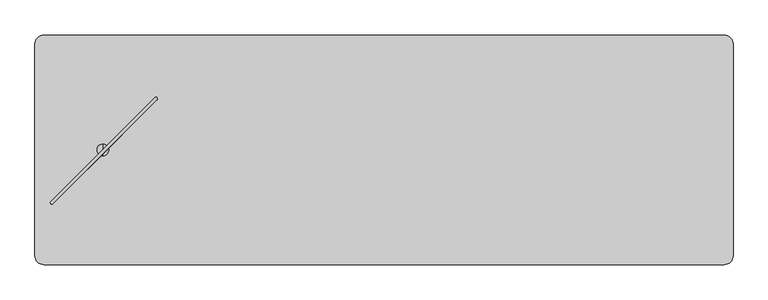
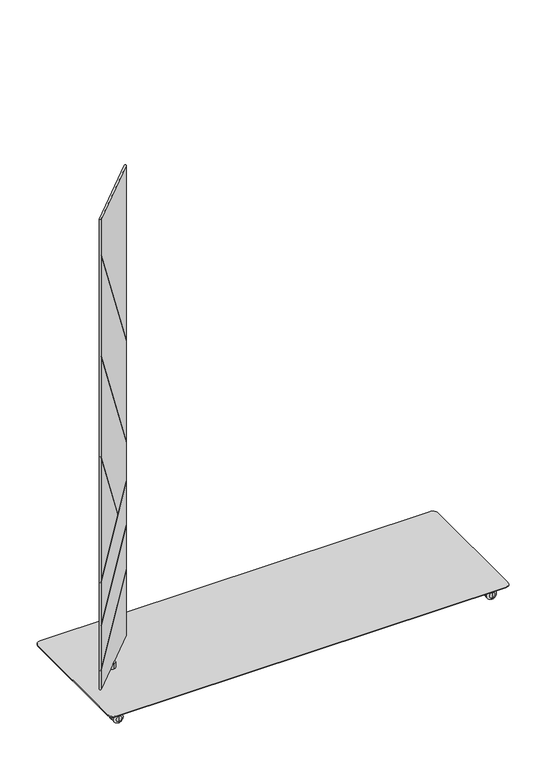
"""IFC4 building model written with IfcOpenShell, lengths in millimetres: furniture geometry."""

from ifc_helpers import new_model, si_unit, point, frame, frame_2d, origin, place, context, project, spatial, polyline, circle_curve, ellipse_curve, trimmed, segment, composite_curve, outline, extrude, source, transform, mapped, element, save
from ifc_brep_helpers import plane_surface, cylinder_surface, revolved_surface, advanced_brep


def furniture_b7391109(model_context):
    return source(origin(), model_context, "Body", "SolidModel", [
        advanced_brep(
        [(-710.9587734, -183.0083649, 1930.6159983), (-706.6960613, -187.2719392, 1930.6159983), (-484.6876924, 34.7398168, 1930.6159983), (-488.9016858, 38.9555155, 1930.6159983), (-710.9587733, -183.0083649, 80.7339983), (-488.9016858, 38.9555155, 80.7339983), (-484.6876924, 34.7398168, 80.7339983), (-706.6960613, -187.2719392, 80.7339983), (-706.6960613, -187.2719392, 157.2450364), (-710.2911277, -187.7758015, 155.5577715), (-710.2911277, -187.7758015, 159.2609644), (-706.6960613, -187.2719392, 160.9482293), (-706.6960613, -187.2719392, 331.0842819), (-710.2911277, -187.7758015, 329.397073), (-710.2911277, -187.7758015, 331.2192637), (-706.6960613, -187.2719392, 332.9064727), (-706.6960613, -187.2719392, 503.9007569), (-710.2911277, -187.7758015, 502.2133563), (-710.2911277, -187.7758015, 504.0355995), (-706.6960613, -187.2719392, 505.723), (-706.6960613, -187.2719392, 988.4501208), (-710.2911277, -187.7758015, 993.5149532), (-710.2911277, -187.7758015, 996.6856054), (-706.6960613, -187.2719392, 991.620773), (-706.6960613, -187.2719392, 1387.9049255), (-710.2911277, -187.7758015, 1392.9697579), (-710.2911277, -187.7758015, 1396.14041), (-706.6960613, -187.2719392, 1391.0755777), (-706.6960613, -187.2719392, 1787.3575622), (-710.2911277, -187.7758015, 1792.4233739), (-710.2911277, -187.7758015, 1795.594488), (-706.6960613, -187.2719392, 1790.5286762), (-484.6876924, 34.7398168, 343.7227086), (-484.6876924, 34.7398168, 513.852707), (-484.6876924, 34.7398168, 515.6748977), (-484.6876924, 34.7398168, 686.6899393), (-560.1779444, -40.7515869, 626.3577623), (-559.2155829, -39.7892108, 627.1501165), (-484.6876924, 34.7398168, 688.5121824), (-484.6876924, 34.7398168, 839.2524065), (-484.6876924, 34.7398168, 842.4230587), (-484.6876924, 34.7398168, 1238.5989503), (-484.6876924, 34.7398168, 1241.7700643), (-484.6876924, 34.7398168, 340.0195157), (-484.2519643, 38.263362, 1236.8768508), (-484.2519643, 38.263362, 1233.7057367), (-484.2519643, 38.263362, 837.5307912), (-484.2519643, 38.263362, 834.360139), (-484.2519643, 38.263362, 690.1420912), (-484.2519643, 38.263362, 688.3198481), (-484.2519643, 38.263362, 517.3046215), (-484.2519643, 38.263362, 515.4824307), (-484.2519643, 38.263362, 345.3524863), (-484.2519643, 38.263362, 341.6492934), (-560.76006, -38.2447337, 627.1501165), (-561.7224288, -39.2071025, 626.3577623)],
        [
            (0, 1, circle_curve(frame((-708.8276492, -185.1403839, 1930.6159983), z_axis=(0.0, 0.0, 1.0), x_axis=(-0.7072551987263337, -0.7069583324882551, 0.0)), 3.0144975)),
            (1, 2),
            (2, 3, circle_curve(frame((-486.8468411, 36.7955352, 1930.6159983), z_axis=(0.0, 0.0, 1.0), x_axis=(0.6895472047235311, 0.7242407420588576, 0.0)), 2.9812584)),
            (3, 0),
            (4, 5),
            (5, 6, circle_curve(frame((-486.8468411, 36.7955352, 80.7339983), z_axis=(0.0, 0.0, -1.0), x_axis=(0.6895472047235311, 0.7242407420588576, 0.0)), 2.9812584)),
            (6, 7),
            (7, 4, circle_curve(frame((-708.8276492, -185.1403839, 80.7339983), z_axis=(0.0, 0.0, -1.0), x_axis=(-0.7072551987263337, -0.7069583324882551, 0.0)), 3.0144975)),
            (0, 4),
            (7, 8),
            (8, 9, ellipse_curve(frame((-708.8276492, -185.1403839, 157.245023), z_axis=(0.3557466555065141, 0.35574665550651347, -0.8642271889913322), x_axis=(0.6111009058215596, 0.6111009058215586, 0.5031017449861808)), 3.4880845, 3.0144975)),
            (9, 10),
            (10, 11, ellipse_curve(frame((-708.8276492, -185.1403839, 160.9482159), z_axis=(-0.3557466555065138, -0.3557466555065132, 0.8642271889913322), x_axis=(0.6111009058215596, 0.6111009058215585, 0.5031017449861812)), 3.4880845, 3.0144975)),
            (11, 12),
            (12, 13, ellipse_curve(frame((-708.8276492, -185.1403839, 331.0842685), z_axis=(0.3557378542673982, 0.35573785426739757, -0.8642344346775678), x_axis=(0.611106029295431, 0.61110602929543, 0.5030892981544577)), 3.4880553, 3.0144975)),
            (13, 14),
            (14, 15, ellipse_curve(frame((-708.8276492, -185.1403839, 332.9064593), z_axis=(-0.3557378542673982, -0.35573785426739757, 0.8642344346775679), x_axis=(0.6111060292954311, 0.6111060292954301, 0.5030892981544572)), 3.4880553, 3.0144975)),
            (15, 16),
            (16, 17, ellipse_curve(frame((-708.8276492, -185.1403839, 503.9007435), z_axis=(0.35576802902276067, 0.35576802902276006, -0.8642095920843049), x_axis=(0.6110884629292728, 0.6110884629292717, 0.5031319717027326)), 3.4881556, 3.0144975)),
            (17, 18),
            (18, 19, ellipse_curve(frame((-708.8276492, -185.1403839, 505.7229867), z_axis=(-0.3557680290227606, -0.35576802902276, 0.864209592084305), x_axis=(0.6110884629292728, 0.6110884629292717, 0.5031319717027324)), 3.4881556, 3.0144975)),
            (19, 20),
            (20, 21, ellipse_curve(frame((-708.8276492, -185.1403839, 988.450161), z_axis=(-0.6137217711363941, -0.6137217711363931, -0.4966801538882102), x_axis=(-0.3512059048951317, -0.3512059048951311, 0.8679336522647246)), 6.0692932, 3.0144975)),
            (21, 22),
            (22, 23, ellipse_curve(frame((-708.8276492, -185.1403839, 991.6208132), z_axis=(0.6137217711363941, 0.613721771136393, 0.49668015388821024), x_axis=(-0.35120590489513176, -0.3512059048951311, 0.8679336522647245)), 6.0692932, 3.0144975)),
            (23, 24),
            (24, 25, ellipse_curve(frame((-708.8276492, -185.1403839, 1387.9049657), z_axis=(-0.6137217711363941, -0.6137217711363931, -0.4966801538882103), x_axis=(-0.35120590489513176, -0.3512059048951312, 0.8679336522647245)), 6.0692932, 3.0144975)),
            (25, 26),
            (26, 27, ellipse_curve(frame((-708.8276492, -185.1403839, 1391.0756178), z_axis=(0.6137217711363941, 0.6137217711363931, 0.4966801538882103), x_axis=(-0.35120590489513176, -0.3512059048951312, 0.8679336522647245)), 6.0692932, 3.0144975)),
            (27, 28),
            (28, 29, ellipse_curve(frame((-708.8276492, -185.1403839, 1787.3576024), z_axis=(-0.6137510408992914, -0.6137510408992903, -0.4966078126550913), x_axis=(-0.351154751918634, -0.3511547519186334, 0.8679750459603811)), 6.0701774, 3.0144975)),
            (29, 30),
            (30, 31, ellipse_curve(frame((-708.8276492, -185.1403839, 1790.5287164), z_axis=(0.6137510408992906, 0.6137510408992916, 0.4966078126550908), x_axis=(-0.351154751918633, -0.35115475191863355, 0.8679750459603813)), 6.0701774, 3.0144975)),
            (31, 1),
            (11, 32),
            (32, 33),
            (33, 12),
            (15, 34),
            (34, 35),
            (35, 16),
            (19, 36),
            (36, 20),
            (23, 37),
            (37, 38),
            (38, 39),
            (39, 24),
            (27, 40),
            (40, 41),
            (41, 28),
            (31, 42),
            (42, 2),
            (6, 43),
            (43, 8),
            (42, 44, ellipse_curve(frame((-486.8468411, 36.7955352, 1241.8978926), z_axis=(0.6137510408992906, 0.6137510408992916, 0.4966078126550908), x_axis=(-0.351154751918633, -0.35115475191863355, 0.8679750459603813)), 6.003245, 2.9812584)),
            (44, 45),
            (45, 41, ellipse_curve(frame((-486.8468411, 36.7955352, 1238.7267785), z_axis=(-0.6137510408992914, -0.6137510408992903, -0.4966078126550913), x_axis=(-0.351154751918634, -0.3511547519186334, 0.8679750459603811)), 6.003245, 2.9812584)),
            (40, 46, ellipse_curve(frame((-486.8468411, 36.7955352, 842.5508622), z_axis=(0.6137217711363941, 0.6137217711363931, 0.4966801538882103), x_axis=(-0.35120590489513176, -0.3512059048951312, 0.8679336522647245)), 6.0023706, 2.9812584)),
            (46, 47),
            (47, 39, ellipse_curve(frame((-486.8468411, 36.7955352, 839.3802101), z_axis=(-0.6137217711363941, -0.6137217711363931, -0.4966801538882103), x_axis=(-0.35120590489513176, -0.3512059048951312, 0.8679336522647245)), 6.0023706, 2.9812584)),
            (38, 48, ellipse_curve(frame((-486.8468411, 36.7955352, 688.4696034), z_axis=(-0.355768029022761, -0.3557680290227604, 0.8642095920843047), x_axis=(0.6110884629292725, 0.6110884629292714, 0.5031319717027329)), 3.4496937, 2.9812584)),
            (48, 49),
            (49, 35, ellipse_curve(frame((-486.8468411, 36.7955352, 686.6473602), z_axis=(0.35576802902276067, 0.35576802902276006, -0.8642095920843049), x_axis=(0.6110884629292728, 0.6110884629292717, 0.5031319717027326)), 3.4496937, 2.9812584)),
            (34, 50, ellipse_curve(frame((-486.8468411, 36.7955352, 515.6323235), z_axis=(-0.3557378542673982, -0.35573785426739757, 0.8642344346775679), x_axis=(0.6111060292954311, 0.6111060292954301, 0.5030892981544572)), 3.4495945, 2.9812584)),
            (50, 51),
            (51, 33, ellipse_curve(frame((-486.8468411, 36.7955352, 513.8101328), z_axis=(0.3557378542673982, 0.35573785426739757, -0.8642344346775678), x_axis=(0.611106029295431, 0.61110602929543, 0.5030892981544577)), 3.4495945, 2.9812584)),
            (32, 52, ellipse_curve(frame((-486.8468411, 36.7955352, 343.6801329), z_axis=(-0.3557466555065138, -0.3557466555065132, 0.8642271889913322), x_axis=(0.6111009058215596, 0.6111009058215585, 0.5031017449861812)), 3.4496234, 2.9812584)),
            (52, 53),
            (53, 43, ellipse_curve(frame((-486.8468411, 36.7955352, 339.97694), z_axis=(0.3557466555065141, 0.35574665550651347, -0.8642271889913322), x_axis=(0.6111009058215596, 0.6111009058215586, 0.5031017449861808)), 3.4496234, 2.9812584)),
            (5, 3),
            (9, 53),
            (52, 10),
            (29, 45),
            (44, 30),
            (25, 47),
            (46, 26),
            (13, 51),
            (50, 14),
            (54, 22),
            (21, 55),
            (55, 18),
            (17, 49),
            (48, 54),
            (37, 54),
            (36, 55),
        ],
        [
            plane_surface(frame((-597.8110532, -74.146243, 1930.6159983), z_axis=(0.0, 0.0, 1.0000000000000002), x_axis=(-0.7072551987263422, -0.7069583324882467, 0.0))),
            plane_surface(frame((-597.8110532, -74.146243, 80.7339983), z_axis=(0.0, 0.0, -1.0000000000000002), x_axis=(-0.7072551987263422, -0.7069583324882467, 0.0))),
            cylinder_surface(frame((-708.8276492, -185.1403839, 80.7339983), z_axis=(0.0, 0.0, 1.0), x_axis=(-0.7072551987263337, -0.7069583324882551, 0.0)), 3.0144975),
            plane_surface(frame((-595.6918769, -76.2660612, 80.7339983), z_axis=(0.7071121751659858, -0.7071013871659624, 0.0), x_axis=(0.7071013871659624, 0.7071121751659858, 0.0))),
            cylinder_surface(frame((-486.8468411, 36.7955352, 80.7339983), z_axis=(0.0, 0.0, 1.0), x_axis=(0.6895472047235311, 0.7242407420588576, 0.0)), 2.9812584),
            plane_surface(frame((-599.9302295, -72.0264247, 80.7339983), z_axis=(-0.7069583324882512, 0.7072551987263376, 0.0), x_axis=(-0.7072551987263376, -0.7069583324882512, 0.0))),
            plane_surface(frame((-693.8406555, -171.3253292, 169.1009707), z_axis=(0.7071067811865472, -0.7071067811865481, 0.0), x_axis=(-0.6111009058215594, -0.6111009058215585, -0.5031017449861812))),
            plane_surface(frame((-693.0218175, -210.0196182, 153.5100877), z_axis=(-0.3557466555065141, -0.35574665550651347, 0.8642271889913322), x_axis=(-0.7071067811865469, 0.7071067811865481, 0.0))),
            plane_surface(frame((-455.5914027, 27.4107966, 352.6828911), z_axis=(0.35574665550651385, 0.35574665550651324, -0.8642271889913324), x_axis=(-0.7071067811865469, 0.7071067811865481, 0.0))),
            plane_surface(frame((-693.0218175, -210.0196182, 1798.5713009), z_axis=(0.6137510408992913, 0.6137510408992902, 0.4966078126550912), x_axis=(-0.7071067811865469, 0.7071067811865481, 0.0))),
            plane_surface(frame((-455.5914027, 27.4107966, 1214.8681832), z_axis=(-0.6137510408992906, -0.6137510408992916, -0.4966078126550908), x_axis=(-0.7071067811865481, 0.7071067811865469, 0.0))),
            plane_surface(frame((-693.0218175, -210.0196182, 1399.1164962), z_axis=(0.6137217711363941, 0.6137217711363931, 0.4966801538882103), x_axis=(-0.7071067811865469, 0.7071067811865481, 0.0))),
            plane_surface(frame((-455.5914027, 27.4107966, 815.5263786), z_axis=(-0.6137217711363941, -0.6137217711363931, -0.4966801538882103), x_axis=(-0.7071067811865469, 0.7071067811865481, 0.0))),
            plane_surface(frame((-693.0218175, -210.0196182, 500.1655078), z_axis=(-0.35576802902276067, -0.35576802902276006, 0.8642095920843049), x_axis=(-0.7071067811865469, 0.7071067811865481, 0.0))),
            plane_surface(frame((-455.5914027, 27.4107966, 697.4730857), z_axis=(0.355768029022761, 0.3557680290227604, -0.8642095920843047), x_axis=(-0.7071067811865469, 0.7071067811865481, 0.0))),
            plane_surface(frame((-693.0218175, -210.0196182, 327.3494569), z_axis=(-0.3557378542673982, -0.35573785426739757, 0.8642344346775678), x_axis=(-0.7071067811865469, 0.7071067811865481, 0.0))),
            plane_surface(frame((-455.5914027, 27.4107966, 524.6347834), z_axis=(0.3557378542673982, 0.35573785426739757, -0.8642344346775679), x_axis=(-0.7071067811865469, 0.7071067811865481, 0.0))),
            plane_surface(frame((-541.0034965, -58.0012972, 627.1501165), z_axis=(-0.6137217711363941, -0.613721771136393, -0.49668015388821024), x_axis=(-0.7071067811865469, 0.7071067811865481, 0.0))),
            plane_surface(frame((-693.0218175, -210.0196182, 999.6616916), z_axis=(0.6137217711363941, 0.6137217711363931, 0.4966801538882102), x_axis=(-0.7071067811865469, 0.7071067811865481, 0.0))),
            plane_surface(frame((-541.9658653, -58.963666, 626.3577623), z_axis=(0.3557680290227606, 0.35576802902276, -0.864209592084305), x_axis=(-0.7071067811865469, 0.7071067811865481, 0.0))),
        ],
        [
            (0, [[1, 2, 3, 4]]),
            (1, [[5, 6, 7, 8]]),
            (2, [[-1, 9, -8, 10, 11, 12, 13, 14, 15, 16, 17, 18, 19, 20, 21, 22, 23, 24, 25, 26, 27, 28, 29, 30, 31, 32, 33, 34]]),
            (3, [[-14, 35, 36, 37]]),
            (3, [[-18, 38, 39, 40]]),
            (3, [[-22, 41, 42]]),
            (3, [[-26, 43, 44, 45, 46]]),
            (3, [[-30, 47, 48, 49]]),
            (3, [[-2, -34, 50, 51]]),
            (3, [[-7, 52, 53, -10]]),
            (4, [[-3, -51, 54, 55, 56, -48, 57, 58, 59, -45, 60, 61, 62, -39, 63, 64, 65, -36, 66, 67, 68, -52, -6, 69]]),
            (5, [[-4, -69, -5, -9]]),
            (6, [[70, -67, 71, -12]]),
            (6, [[72, -55, 73, -32]]),
            (6, [[74, -58, 75, -28]]),
            (6, [[76, -64, 77, -16]]),
            (6, [[78, -24, 79, 80, -20, 81, -61, 82]]),
            (7, [[-70, -11, -53, -68]]),
            (8, [[-71, -66, -35, -13]]),
            (9, [[-72, -31, -49, -56]]),
            (10, [[-73, -54, -50, -33]]),
            (11, [[-74, -27, -46, -59]]),
            (12, [[-75, -57, -47, -29]]),
            (13, [[-81, -19, -40, -62]]),
            (14, [[-82, -60, -44, 83]]),
            (15, [[-76, -15, -37, -65]]),
            (16, [[-77, -63, -38, -17]]),
            (17, [[-78, -83, -43, -25]]),
            (18, [[-79, -23, -42, 84]]),
            (19, [[-80, -84, -41, -21]]),
        ],
    ),
        advanced_brep(
        [(-599.9988, -84.5709522, 80.7339983), (-599.9988, -59.5748171, 80.7339983), (-599.9988, -59.5748171, 59.9975986), (-599.9988, -84.5709522, 59.9975986), (-599.9988, -72.0728847, 80.7339983), (-599.9988, -72.0728847, 59.9975986)],
        [
            (0, 1, circle_curve(frame((-599.9988, -72.0728847, 80.7339983), z_axis=(0.0, 0.0, -1.0), x_axis=(0.0, 1.0, 0.0)), 12.4980675)),
            (1, 2),
            (2, 3, circle_curve(frame((-599.9988, -72.0728847, 59.9975986), z_axis=(0.0, 0.0, 1.0), x_axis=(0.0, 1.0, 0.0)), 12.4980675)),
            (3, 0),
            (4, 1),
            (0, 4),
            (0, 1, circle_curve(frame((-599.9988, -72.0728847, 80.7339983), z_axis=(0.0, 0.0, 1.0), x_axis=(0.0, 1.0, 0.0)), 12.4980675)),
            (2, 5),
            (5, 3),
            (2, 3, circle_curve(frame((-599.9988, -72.0728847, 59.9975986), z_axis=(0.0, 0.0, -1.0), x_axis=(0.0, 1.0, 0.0)), 12.4980675)),
        ],
        [
            cylinder_surface(frame((-599.9988, -72.0728847, 88.2747758), z_axis=(0.0, 0.0, 1.0), x_axis=(0.0, 1.0, 0.0)), 12.4980675),
            plane_surface(frame((-599.9988, -72.0728847, 80.7339983), z_axis=(0.0, 0.0, 1.0), x_axis=(0.0, 1.0, 0.0))),
            plane_surface(frame((-599.9988, -72.0728847, 59.9975986), z_axis=(0.0, 0.0, -1.0), x_axis=(0.0, 1.0, 0.0))),
        ],
        [
            (0, [[1, 2, 3, 4]]),
            (1, [[5, -1, 6]]),
            (1, [[-6, 7, -5]]),
            (2, [[-3, 8, 9]]),
            (2, [[10, -9, -8]]),
            (0, [[-7, -4, -10, -2]]),
        ],
    ),
        advanced_brep(
        [(695.0057698, -263.8998204, 45.0000013), (695.0057698, -261.16856, 45.0000013), (695.0057698, -266.6310808, 45.0000013), (695.0057698, -266.6310808, 20.9698569), (695.0057698, -261.16856, 20.9698569), (695.0057698, -263.8998204, 20.9698569)],
        [
            (0, 1),
            (1, 2, circle_curve(frame((695.0057698, -263.8998204, 45.0000013), z_axis=(0.0, 0.0, 1.0), x_axis=(0.0, 1.0, 0.0)), 2.7312604)),
            (2, 0),
            (2, 1, circle_curve(frame((695.0057698, -263.8998204, 45.0000013), z_axis=(0.0, 0.0, 1.0), x_axis=(0.0, 1.0, 0.0)), 2.7312604)),
            (3, 4, circle_curve(frame((695.0057698, -263.8998204, 20.9698569), z_axis=(0.0, 0.0, -1.0), x_axis=(0.0, 1.0, 0.0)), 2.7312604)),
            (4, 5),
            (5, 3),
            (4, 3, circle_curve(frame((695.0057698, -263.8998204, 20.9698569), z_axis=(0.0, 0.0, -1.0), x_axis=(0.0, 1.0, 0.0)), 2.7312604)),
            (1, 4),
            (3, 2),
        ],
        [
            plane_surface(frame((695.0057698, -263.8998204, 45.0000013), z_axis=(0.0, 0.0, 1.0), x_axis=(0.0, 1.0, 0.0))),
            plane_surface(frame((695.0057698, -263.8998204, 20.9698569), z_axis=(0.0, 0.0, -1.0), x_axis=(0.0, 1.0, 0.0))),
            cylinder_surface(frame((695.0057698, -263.8998204, 53.5051757), z_axis=(0.0, 0.0, 1.0), x_axis=(0.0, 1.0, 0.0)), 2.7312604),
        ],
        [
            (0, [[1, 2, 3]]),
            (0, [[-3, 4, -1]]),
            (1, [[5, 6, 7]]),
            (1, [[8, -7, -6]]),
            (2, [[-2, 9, -5, 10]]),
            (2, [[-4, -10, -8, -9]]),
        ],
    ),
        advanced_brep(
        [(695.0057698, -244.8998219, 6.35), (695.0057698, -244.8998219, 29.650001), (695.0057698, -244.8998219, 18.0000005), (695.0057698, -251.2498219, 0.0), (695.0057698, -251.2498219, 36.000001), (695.0057698, -256.8998207, 0.0), (695.0057698, -256.8998207, 36.000001), (695.0057698, -256.8998207, 11.0000008), (695.0057698, -256.8998207, 25.0000002), (695.0057698, -270.8998246, 11.0000008), (695.0057698, -270.8998246, 25.0000002), (695.0057698, -270.8998246, 0.0), (695.0057698, -270.8998246, 36.000001), (695.0057698, -276.5498189, 0.0), (695.0057698, -276.5498189, 36.000001), (695.0057698, -282.8998189, 6.35), (695.0057698, -282.8998189, 29.650001), (695.0057698, -282.8998189, 18.0000005)],
        [
            (0, 1, circle_curve(frame((695.0057698, -244.8998219, 18.0000005), z_axis=(0.0, 1.0, 0.0), x_axis=(0.0, 0.0, 1.0)), 11.6500005)),
            (1, 2),
            (2, 0),
            (1, 0, circle_curve(frame((695.0057698, -244.8998219, 18.0000005), z_axis=(0.0, 1.0, 0.0), x_axis=(0.0, 0.0, 1.0)), 11.6500005)),
            (3, 4, circle_curve(frame((695.0057698, -251.2498219, 18.0000005), z_axis=(0.0, 1.0, 0.0), x_axis=(0.0, 0.0, 1.0)), 18.0000005)),
            (4, 1, circle_curve(frame((695.0057698, -251.2498219, 29.650001), z_axis=(-1.0, 0.0, 0.0), x_axis=(0.0, 1.0, 0.0)), 6.35)),
            (0, 3, circle_curve(frame((695.0057698, -251.2498219, 6.35), z_axis=(-1.0, 0.0, 0.0), x_axis=(0.0, 1.0, 0.0)), 6.35)),
            (4, 3, circle_curve(frame((695.0057698, -251.2498219, 18.0000005), z_axis=(0.0, 1.0, 0.0), x_axis=(0.0, 0.0, 1.0)), 18.0000005)),
            (5, 6, circle_curve(frame((695.0057698, -256.8998207, 18.0000005), z_axis=(0.0, 1.0, 0.0), x_axis=(0.0, 0.0, 1.0)), 18.0000005)),
            (6, 4),
            (3, 5),
            (6, 5, circle_curve(frame((695.0057698, -256.8998207, 18.0000005), z_axis=(0.0, 1.0, 0.0), x_axis=(0.0, 0.0, 1.0)), 18.0000005)),
            (7, 8, circle_curve(frame((695.0057698, -256.8998207, 18.0000005), z_axis=(0.0, 1.0, 0.0), x_axis=(0.0, 0.0, 1.0)), 6.9999997)),
            (8, 6),
            (5, 7),
            (8, 7, circle_curve(frame((695.0057698, -256.8998207, 18.0000005), z_axis=(0.0, 1.0, 0.0), x_axis=(0.0, 0.0, 1.0)), 6.9999997)),
            (9, 10, circle_curve(frame((695.0057698, -270.8998246, 18.0000005), z_axis=(0.0, 1.0, 0.0), x_axis=(0.0, 0.0, 1.0)), 6.9999997)),
            (10, 8),
            (7, 9),
            (10, 9, circle_curve(frame((695.0057698, -270.8998246, 18.0000005), z_axis=(0.0, 1.0, 0.0), x_axis=(0.0, 0.0, 1.0)), 6.9999997)),
            (11, 12, circle_curve(frame((695.0057698, -270.8998246, 18.0000005), z_axis=(0.0, 1.0, 0.0), x_axis=(0.0, 0.0, 1.0)), 18.0000005)),
            (12, 10),
            (9, 11),
            (12, 11, circle_curve(frame((695.0057698, -270.8998246, 18.0000005), z_axis=(0.0, 1.0, 0.0), x_axis=(0.0, 0.0, 1.0)), 18.0000005)),
            (13, 14, circle_curve(frame((695.0057698, -276.5498189, 18.0000005), z_axis=(0.0, 1.0, 0.0), x_axis=(0.0, 0.0, 1.0)), 18.0000005)),
            (14, 12),
            (11, 13),
            (14, 13, circle_curve(frame((695.0057698, -276.5498189, 18.0000005), z_axis=(0.0, 1.0, 0.0), x_axis=(0.0, 0.0, 1.0)), 18.0000005)),
            (15, 16, circle_curve(frame((695.0057698, -282.8998189, 18.0000005), z_axis=(0.0, 1.0, 0.0), x_axis=(0.0, 0.0, 1.0)), 11.6500005)),
            (16, 14, circle_curve(frame((695.0057698, -276.5498189, 29.650001), z_axis=(-1.0, 0.0, 0.0), x_axis=(0.0, 1.0, 0.0)), 6.35)),
            (13, 15, circle_curve(frame((695.0057698, -276.5498189, 6.35), z_axis=(-1.0, 0.0, 0.0), x_axis=(0.0, 1.0, 0.0)), 6.35)),
            (16, 15, circle_curve(frame((695.0057698, -282.8998189, 18.0000005), z_axis=(0.0, 1.0, 0.0), x_axis=(0.0, 0.0, 1.0)), 11.6500005)),
            (17, 16),
            (15, 17),
        ],
        [
            plane_surface(frame((695.0057698, -244.8998219, 18.0000005), z_axis=(0.0, 1.0, 0.0), x_axis=(0.0, 0.0, 1.0))),
            revolved_surface(trimmed(ellipse_curve(frame((695.0057698, -251.2498219, 29.650001), z_axis=(1.0, 0.0, 0.0), x_axis=(0.0, 1.0, 0.0)), 6.35, 6.35), [point((695.0057698, -244.8998219, 29.650001))], [point((695.0057698, -251.2498219, 36.000001))], True, "CARTESIAN"), (695.0057698, -320.9998189, 18.0000005), (0.0, -1.0, 0.0)),
            cylinder_surface(frame((695.0057698, -320.9998189, 18.0000005), z_axis=(0.0, -1.0, 0.0), x_axis=(0.0, 0.0, 1.0)), 18.0000005),
            plane_surface(frame((695.0057698, -256.8998207, 18.0000005), z_axis=(0.0, -1.0, 0.0), x_axis=(0.0, 0.0, 1.0))),
            cylinder_surface(frame((695.0057698, -320.9998189, 18.0000005), z_axis=(0.0, -1.0, 0.0), x_axis=(0.0, 0.0, 1.0)), 6.9999997),
            plane_surface(frame((695.0057698, -270.8998246, 18.0000005), z_axis=(0.0, 1.0, 0.0), x_axis=(0.0, 0.0, 1.0))),
            revolved_surface(trimmed(ellipse_curve(frame((695.0057698, -276.5498189, 29.650001), z_axis=(1.0, 0.0, 0.0), x_axis=(0.0, 1.0, 0.0)), 6.35, 6.35), [point((695.0057698, -276.5498189, 36.000001))], [point((695.0057698, -282.8998189, 29.650001))], True, "CARTESIAN"), (695.0057698, -320.9998189, 18.0000005), (0.0, -1.0, 0.0)),
            plane_surface(frame((695.0057698, -282.8998189, 18.0000005), z_axis=(0.0, -1.0, 0.0), x_axis=(0.0, 0.0, 1.0))),
        ],
        [
            (0, [[1, 2, 3]]),
            (0, [[4, -3, -2]]),
            (1, [[5, 6, -1, 7]]),
            (1, [[8, -7, -4, -6]]),
            (2, [[9, 10, -5, 11]]),
            (2, [[12, -11, -8, -10]]),
            (3, [[13, 14, -9, 15]]),
            (3, [[16, -15, -12, -14]]),
            (4, [[17, 18, -13, 19]]),
            (4, [[20, -19, -16, -18]]),
            (5, [[21, 22, -17, 23]]),
            (5, [[24, -23, -20, -22]]),
            (2, [[25, 26, -21, 27]]),
            (2, [[28, -27, -24, -26]]),
            (6, [[29, 30, -25, 31]]),
            (6, [[32, -31, -28, -30]]),
            (7, [[33, -29, 34]]),
            (7, [[-34, -32, -33]]),
        ],
    ),
        advanced_brep(
        [(695.0057698, 119.7540511, 45.0000013), (695.0057698, 122.4853115, 45.0000013), (695.0057698, 117.0227906, 45.0000013), (695.0057698, 117.0227906, 20.9698569), (695.0057698, 122.4853115, 20.9698569), (695.0057698, 119.7540511, 20.9698569)],
        [
            (0, 1),
            (1, 2, circle_curve(frame((695.0057698, 119.7540511, 45.0000013), z_axis=(0.0, 0.0, 1.0), x_axis=(0.0, 1.0, 0.0)), 2.7312604)),
            (2, 0),
            (2, 1, circle_curve(frame((695.0057698, 119.7540511, 45.0000013), z_axis=(0.0, 0.0, 1.0), x_axis=(0.0, 1.0, 0.0)), 2.7312604)),
            (3, 4, circle_curve(frame((695.0057698, 119.7540511, 20.9698569), z_axis=(0.0, 0.0, -1.0), x_axis=(0.0, 1.0, 0.0)), 2.7312604)),
            (4, 5),
            (5, 3),
            (4, 3, circle_curve(frame((695.0057698, 119.7540511, 20.9698569), z_axis=(0.0, 0.0, -1.0), x_axis=(0.0, 1.0, 0.0)), 2.7312604)),
            (1, 4),
            (3, 2),
        ],
        [
            plane_surface(frame((695.0057698, 119.7540511, 45.0000013), z_axis=(0.0, 0.0, 1.0), x_axis=(0.0, 1.0, 0.0))),
            plane_surface(frame((695.0057698, 119.7540511, 20.9698569), z_axis=(0.0, 0.0, -1.0), x_axis=(0.0, 1.0, 0.0))),
            cylinder_surface(frame((695.0057698, 119.7540511, 53.5051757), z_axis=(0.0, 0.0, 1.0), x_axis=(0.0, 1.0, 0.0)), 2.7312604),
        ],
        [
            (0, [[1, 2, 3]]),
            (0, [[-3, 4, -1]]),
            (1, [[5, 6, 7]]),
            (1, [[8, -7, -6]]),
            (2, [[-2, 9, -5, 10]]),
            (2, [[-4, -10, -8, -9]]),
        ],
    ),
        advanced_brep(
        [(695.0057698, 138.7540496, 6.35), (695.0057698, 138.7540496, 29.650001), (695.0057698, 138.7540496, 18.0000005), (695.0057698, 132.4040496, 0.0), (695.0057698, 132.4040496, 36.000001), (695.0057698, 126.7540507, 0.0), (695.0057698, 126.7540507, 36.000001), (695.0057698, 126.7540507, 11.0000008), (695.0057698, 126.7540507, 25.0000002), (695.0057698, 112.7540468, 11.0000008), (695.0057698, 112.7540468, 25.0000002), (695.0057698, 112.7540468, 0.0), (695.0057698, 112.7540468, 36.000001), (695.0057698, 107.1040525, 0.0), (695.0057698, 107.1040525, 36.000001), (695.0057698, 100.7540525, 6.35), (695.0057698, 100.7540525, 29.650001), (695.0057698, 100.7540525, 18.0000005)],
        [
            (0, 1, circle_curve(frame((695.0057698, 138.7540496, 18.0000005), z_axis=(0.0, 1.0, 0.0), x_axis=(0.0, 0.0, 1.0)), 11.6500005)),
            (1, 2),
            (2, 0),
            (1, 0, circle_curve(frame((695.0057698, 138.7540496, 18.0000005), z_axis=(0.0, 1.0, 0.0), x_axis=(0.0, 0.0, 1.0)), 11.6500005)),
            (3, 4, circle_curve(frame((695.0057698, 132.4040496, 18.0000005), z_axis=(0.0, 1.0, 0.0), x_axis=(0.0, 0.0, 1.0)), 18.0000005)),
            (4, 1, circle_curve(frame((695.0057698, 132.4040496, 29.650001), z_axis=(-1.0, 0.0, 0.0), x_axis=(0.0, 1.0, 0.0)), 6.35)),
            (0, 3, circle_curve(frame((695.0057698, 132.4040496, 6.35), z_axis=(-1.0, 0.0, 0.0), x_axis=(0.0, 1.0, 0.0)), 6.35)),
            (4, 3, circle_curve(frame((695.0057698, 132.4040496, 18.0000005), z_axis=(0.0, 1.0, 0.0), x_axis=(0.0, 0.0, 1.0)), 18.0000005)),
            (5, 6, circle_curve(frame((695.0057698, 126.7540507, 18.0000005), z_axis=(0.0, 1.0, 0.0), x_axis=(0.0, 0.0, 1.0)), 18.0000005)),
            (6, 4),
            (3, 5),
            (6, 5, circle_curve(frame((695.0057698, 126.7540507, 18.0000005), z_axis=(0.0, 1.0, 0.0), x_axis=(0.0, 0.0, 1.0)), 18.0000005)),
            (7, 8, circle_curve(frame((695.0057698, 126.7540507, 18.0000005), z_axis=(0.0, 1.0, 0.0), x_axis=(0.0, 0.0, 1.0)), 6.9999997)),
            (8, 6),
            (5, 7),
            (8, 7, circle_curve(frame((695.0057698, 126.7540507, 18.0000005), z_axis=(0.0, 1.0, 0.0), x_axis=(0.0, 0.0, 1.0)), 6.9999997)),
            (9, 10, circle_curve(frame((695.0057698, 112.7540468, 18.0000005), z_axis=(0.0, 1.0, 0.0), x_axis=(0.0, 0.0, 1.0)), 6.9999997)),
            (10, 8),
            (7, 9),
            (10, 9, circle_curve(frame((695.0057698, 112.7540468, 18.0000005), z_axis=(0.0, 1.0, 0.0), x_axis=(0.0, 0.0, 1.0)), 6.9999997)),
            (11, 12, circle_curve(frame((695.0057698, 112.7540468, 18.0000005), z_axis=(0.0, 1.0, 0.0), x_axis=(0.0, 0.0, 1.0)), 18.0000005)),
            (12, 10),
            (9, 11),
            (12, 11, circle_curve(frame((695.0057698, 112.7540468, 18.0000005), z_axis=(0.0, 1.0, 0.0), x_axis=(0.0, 0.0, 1.0)), 18.0000005)),
            (13, 14, circle_curve(frame((695.0057698, 107.1040525, 18.0000005), z_axis=(0.0, 1.0, 0.0), x_axis=(0.0, 0.0, 1.0)), 18.0000005)),
            (14, 12),
            (11, 13),
            (14, 13, circle_curve(frame((695.0057698, 107.1040525, 18.0000005), z_axis=(0.0, 1.0, 0.0), x_axis=(0.0, 0.0, 1.0)), 18.0000005)),
            (15, 16, circle_curve(frame((695.0057698, 100.7540525, 18.0000005), z_axis=(0.0, 1.0, 0.0), x_axis=(0.0, 0.0, 1.0)), 11.6500005)),
            (16, 14, circle_curve(frame((695.0057698, 107.1040525, 29.650001), z_axis=(-1.0, 0.0, 0.0), x_axis=(0.0, 1.0, 0.0)), 6.35)),
            (13, 15, circle_curve(frame((695.0057698, 107.1040525, 6.35), z_axis=(-1.0, 0.0, 0.0), x_axis=(0.0, 1.0, 0.0)), 6.35)),
            (16, 15, circle_curve(frame((695.0057698, 100.7540525, 18.0000005), z_axis=(0.0, 1.0, 0.0), x_axis=(0.0, 0.0, 1.0)), 11.6500005)),
            (17, 16),
            (15, 17),
        ],
        [
            plane_surface(frame((695.0057698, 138.7540496, 18.0000005), z_axis=(0.0, 1.0, 0.0), x_axis=(0.0, 0.0, 1.0))),
            revolved_surface(trimmed(ellipse_curve(frame((695.0057698, 132.4040496, 29.650001), z_axis=(1.0, 0.0, 0.0), x_axis=(0.0, 1.0, 0.0)), 6.35, 6.35), [point((695.0057698, 138.7540496, 29.650001))], [point((695.0057698, 132.4040496, 36.000001))], True, "CARTESIAN"), (695.0057698, 62.6540525, 18.0000005), (0.0, -1.0, 0.0)),
            cylinder_surface(frame((695.0057698, 62.6540525, 18.0000005), z_axis=(0.0, -1.0, 0.0), x_axis=(0.0, 0.0, 1.0)), 18.0000005),
            plane_surface(frame((695.0057698, 126.7540507, 18.0000005), z_axis=(0.0, -1.0, 0.0), x_axis=(0.0, 0.0, 1.0))),
            cylinder_surface(frame((695.0057698, 62.6540525, 18.0000005), z_axis=(0.0, -1.0, 0.0), x_axis=(0.0, 0.0, 1.0)), 6.9999997),
            plane_surface(frame((695.0057698, 112.7540468, 18.0000005), z_axis=(0.0, 1.0, 0.0), x_axis=(0.0, 0.0, 1.0))),
            revolved_surface(trimmed(ellipse_curve(frame((695.0057698, 107.1040525, 29.650001), z_axis=(1.0, 0.0, 0.0), x_axis=(0.0, 1.0, 0.0)), 6.35, 6.35), [point((695.0057698, 107.1040525, 36.000001))], [point((695.0057698, 100.7540525, 29.650001))], True, "CARTESIAN"), (695.0057698, 62.6540525, 18.0000005), (0.0, -1.0, 0.0)),
            plane_surface(frame((695.0057698, 100.7540525, 18.0000005), z_axis=(0.0, -1.0, 0.0), x_axis=(0.0, 0.0, 1.0))),
        ],
        [
            (0, [[1, 2, 3]]),
            (0, [[4, -3, -2]]),
            (1, [[5, 6, -1, 7]]),
            (1, [[8, -7, -4, -6]]),
            (2, [[9, 10, -5, 11]]),
            (2, [[12, -11, -8, -10]]),
            (3, [[13, 14, -9, 15]]),
            (3, [[16, -15, -12, -14]]),
            (4, [[17, 18, -13, 19]]),
            (4, [[20, -19, -16, -18]]),
            (5, [[21, 22, -17, 23]]),
            (5, [[24, -23, -20, -22]]),
            (2, [[25, 26, -21, 27]]),
            (2, [[28, -27, -24, -26]]),
            (6, [[29, 30, -25, 31]]),
            (6, [[32, -31, -28, -30]]),
            (7, [[33, -29, 34]]),
            (7, [[-34, -32, -33]]),
        ],
    ),
        advanced_brep(
        [(-695.0057698, 119.7540511, 45.0000013), (-695.0057698, 122.4853115, 45.0000013), (-695.0057698, 117.0227906, 45.0000013), (-695.0057698, 117.0227906, 20.9698569), (-695.0057698, 122.4853115, 20.9698569), (-695.0057698, 119.7540511, 20.9698569)],
        [
            (0, 1),
            (1, 2, circle_curve(frame((-695.0057698, 119.7540511, 45.0000013), z_axis=(0.0, 0.0, 1.0), x_axis=(0.0, 1.0, 0.0)), 2.7312604)),
            (2, 0),
            (2, 1, circle_curve(frame((-695.0057698, 119.7540511, 45.0000013), z_axis=(0.0, 0.0, 1.0), x_axis=(0.0, 1.0, 0.0)), 2.7312604)),
            (3, 4, circle_curve(frame((-695.0057698, 119.7540511, 20.9698569), z_axis=(0.0, 0.0, -1.0), x_axis=(0.0, 1.0, 0.0)), 2.7312604)),
            (4, 5),
            (5, 3),
            (4, 3, circle_curve(frame((-695.0057698, 119.7540511, 20.9698569), z_axis=(0.0, 0.0, -1.0), x_axis=(0.0, 1.0, 0.0)), 2.7312604)),
            (1, 4),
            (3, 2),
        ],
        [
            plane_surface(frame((-695.0057698, 119.7540511, 45.0000013), z_axis=(0.0, 0.0, 1.0), x_axis=(0.0, 1.0, 0.0))),
            plane_surface(frame((-695.0057698, 119.7540511, 20.9698569), z_axis=(0.0, 0.0, -1.0), x_axis=(0.0, 1.0, 0.0))),
            cylinder_surface(frame((-695.0057698, 119.7540511, 53.5051757), z_axis=(0.0, 0.0, 1.0), x_axis=(0.0, 1.0, 0.0)), 2.7312604),
        ],
        [
            (0, [[1, 2, 3]]),
            (0, [[-3, 4, -1]]),
            (1, [[5, 6, 7]]),
            (1, [[8, -7, -6]]),
            (2, [[-2, 9, -5, 10]]),
            (2, [[-4, -10, -8, -9]]),
        ],
    ),
        advanced_brep(
        [(-695.0057698, 138.7540496, 6.35), (-695.0057698, 138.7540496, 29.650001), (-695.0057698, 138.7540496, 18.0000005), (-695.0057698, 132.4040496, 0.0), (-695.0057698, 132.4040496, 36.000001), (-695.0057698, 126.7540507, 0.0), (-695.0057698, 126.7540507, 36.000001), (-695.0057698, 126.7540507, 11.0000008), (-695.0057698, 126.7540507, 25.0000002), (-695.0057698, 112.7540468, 11.0000008), (-695.0057698, 112.7540468, 25.0000002), (-695.0057698, 112.7540468, 0.0), (-695.0057698, 112.7540468, 36.000001), (-695.0057698, 107.1040525, 0.0), (-695.0057698, 107.1040525, 36.000001), (-695.0057698, 100.7540525, 6.35), (-695.0057698, 100.7540525, 29.650001), (-695.0057698, 100.7540525, 18.0000005)],
        [
            (0, 1, circle_curve(frame((-695.0057698, 138.7540496, 18.0000005), z_axis=(0.0, 1.0, 0.0), x_axis=(0.0, 0.0, 1.0)), 11.6500005)),
            (1, 2),
            (2, 0),
            (1, 0, circle_curve(frame((-695.0057698, 138.7540496, 18.0000005), z_axis=(0.0, 1.0, 0.0), x_axis=(0.0, 0.0, 1.0)), 11.6500005)),
            (3, 4, circle_curve(frame((-695.0057698, 132.4040496, 18.0000005), z_axis=(0.0, 1.0, 0.0), x_axis=(0.0, 0.0, 1.0)), 18.0000005)),
            (4, 1, circle_curve(frame((-695.0057698, 132.4040496, 29.650001), z_axis=(-1.0, 0.0, 0.0), x_axis=(0.0, 1.0, 0.0)), 6.35)),
            (0, 3, circle_curve(frame((-695.0057698, 132.4040496, 6.35), z_axis=(-1.0, 0.0, 0.0), x_axis=(0.0, 1.0, 0.0)), 6.35)),
            (4, 3, circle_curve(frame((-695.0057698, 132.4040496, 18.0000005), z_axis=(0.0, 1.0, 0.0), x_axis=(0.0, 0.0, 1.0)), 18.0000005)),
            (5, 6, circle_curve(frame((-695.0057698, 126.7540507, 18.0000005), z_axis=(0.0, 1.0, 0.0), x_axis=(0.0, 0.0, 1.0)), 18.0000005)),
            (6, 4),
            (3, 5),
            (6, 5, circle_curve(frame((-695.0057698, 126.7540507, 18.0000005), z_axis=(0.0, 1.0, 0.0), x_axis=(0.0, 0.0, 1.0)), 18.0000005)),
            (7, 8, circle_curve(frame((-695.0057698, 126.7540507, 18.0000005), z_axis=(0.0, 1.0, 0.0), x_axis=(0.0, 0.0, 1.0)), 6.9999997)),
            (8, 6),
            (5, 7),
            (8, 7, circle_curve(frame((-695.0057698, 126.7540507, 18.0000005), z_axis=(0.0, 1.0, 0.0), x_axis=(0.0, 0.0, 1.0)), 6.9999997)),
            (9, 10, circle_curve(frame((-695.0057698, 112.7540468, 18.0000005), z_axis=(0.0, 1.0, 0.0), x_axis=(0.0, 0.0, 1.0)), 6.9999997)),
            (10, 8),
            (7, 9),
            (10, 9, circle_curve(frame((-695.0057698, 112.7540468, 18.0000005), z_axis=(0.0, 1.0, 0.0), x_axis=(0.0, 0.0, 1.0)), 6.9999997)),
            (11, 12, circle_curve(frame((-695.0057698, 112.7540468, 18.0000005), z_axis=(0.0, 1.0, 0.0), x_axis=(0.0, 0.0, 1.0)), 18.0000005)),
            (12, 10),
            (9, 11),
            (12, 11, circle_curve(frame((-695.0057698, 112.7540468, 18.0000005), z_axis=(0.0, 1.0, 0.0), x_axis=(0.0, 0.0, 1.0)), 18.0000005)),
            (13, 14, circle_curve(frame((-695.0057698, 107.1040525, 18.0000005), z_axis=(0.0, 1.0, 0.0), x_axis=(0.0, 0.0, 1.0)), 18.0000005)),
            (14, 12),
            (11, 13),
            (14, 13, circle_curve(frame((-695.0057698, 107.1040525, 18.0000005), z_axis=(0.0, 1.0, 0.0), x_axis=(0.0, 0.0, 1.0)), 18.0000005)),
            (15, 16, circle_curve(frame((-695.0057698, 100.7540525, 18.0000005), z_axis=(0.0, 1.0, 0.0), x_axis=(0.0, 0.0, 1.0)), 11.6500005)),
            (16, 14, circle_curve(frame((-695.0057698, 107.1040525, 29.650001), z_axis=(-1.0, 0.0, 0.0), x_axis=(0.0, 1.0, 0.0)), 6.35)),
            (13, 15, circle_curve(frame((-695.0057698, 107.1040525, 6.35), z_axis=(-1.0, 0.0, 0.0), x_axis=(0.0, 1.0, 0.0)), 6.35)),
            (16, 15, circle_curve(frame((-695.0057698, 100.7540525, 18.0000005), z_axis=(0.0, 1.0, 0.0), x_axis=(0.0, 0.0, 1.0)), 11.6500005)),
            (17, 16),
            (15, 17),
        ],
        [
            plane_surface(frame((-695.0057698, 138.7540496, 18.0000005), z_axis=(0.0, 1.0, 0.0), x_axis=(0.0, 0.0, 1.0))),
            revolved_surface(trimmed(ellipse_curve(frame((-695.0057698, 132.4040496, 29.650001), z_axis=(1.0, 0.0, 0.0), x_axis=(0.0, 1.0, 0.0)), 6.35, 6.35), [point((-695.0057698, 138.7540496, 29.650001))], [point((-695.0057698, 132.4040496, 36.000001))], True, "CARTESIAN"), (-695.0057698, 62.6540525, 18.0000005), (0.0, -1.0, 0.0)),
            cylinder_surface(frame((-695.0057698, 62.6540525, 18.0000005), z_axis=(0.0, -1.0, 0.0), x_axis=(0.0, 0.0, 1.0)), 18.0000005),
            plane_surface(frame((-695.0057698, 126.7540507, 18.0000005), z_axis=(0.0, -1.0, 0.0), x_axis=(0.0, 0.0, 1.0))),
            cylinder_surface(frame((-695.0057698, 62.6540525, 18.0000005), z_axis=(0.0, -1.0, 0.0), x_axis=(0.0, 0.0, 1.0)), 6.9999997),
            plane_surface(frame((-695.0057698, 112.7540468, 18.0000005), z_axis=(0.0, 1.0, 0.0), x_axis=(0.0, 0.0, 1.0))),
            revolved_surface(trimmed(ellipse_curve(frame((-695.0057698, 107.1040525, 29.650001), z_axis=(1.0, 0.0, 0.0), x_axis=(0.0, 1.0, 0.0)), 6.35, 6.35), [point((-695.0057698, 107.1040525, 36.000001))], [point((-695.0057698, 100.7540525, 29.650001))], True, "CARTESIAN"), (-695.0057698, 62.6540525, 18.0000005), (0.0, -1.0, 0.0)),
            plane_surface(frame((-695.0057698, 100.7540525, 18.0000005), z_axis=(0.0, -1.0, 0.0), x_axis=(0.0, 0.0, 1.0))),
        ],
        [
            (0, [[1, 2, 3]]),
            (0, [[4, -3, -2]]),
            (1, [[5, 6, -1, 7]]),
            (1, [[8, -7, -4, -6]]),
            (2, [[9, 10, -5, 11]]),
            (2, [[12, -11, -8, -10]]),
            (3, [[13, 14, -9, 15]]),
            (3, [[16, -15, -12, -14]]),
            (4, [[17, 18, -13, 19]]),
            (4, [[20, -19, -16, -18]]),
            (5, [[21, 22, -17, 23]]),
            (5, [[24, -23, -20, -22]]),
            (2, [[25, 26, -21, 27]]),
            (2, [[28, -27, -24, -26]]),
            (6, [[29, 30, -25, 31]]),
            (6, [[32, -31, -28, -30]]),
            (7, [[33, -29, 34]]),
            (7, [[-34, -32, -33]]),
        ],
    ),
        advanced_brep(
        [(-695.0057698, -263.8998204, 45.0000013), (-695.0057698, -261.16856, 45.0000013), (-695.0057698, -266.6310808, 45.0000013), (-695.0057698, -266.6310808, 20.9698569), (-695.0057698, -261.16856, 20.9698569), (-695.0057698, -263.8998204, 20.9698569)],
        [
            (0, 1),
            (1, 2, circle_curve(frame((-695.0057698, -263.8998204, 45.0000013), z_axis=(0.0, 0.0, 1.0), x_axis=(0.0, 1.0, 0.0)), 2.7312604)),
            (2, 0),
            (2, 1, circle_curve(frame((-695.0057698, -263.8998204, 45.0000013), z_axis=(0.0, 0.0, 1.0), x_axis=(0.0, 1.0, 0.0)), 2.7312604)),
            (3, 4, circle_curve(frame((-695.0057698, -263.8998204, 20.9698569), z_axis=(0.0, 0.0, -1.0), x_axis=(0.0, 1.0, 0.0)), 2.7312604)),
            (4, 5),
            (5, 3),
            (4, 3, circle_curve(frame((-695.0057698, -263.8998204, 20.9698569), z_axis=(0.0, 0.0, -1.0), x_axis=(0.0, 1.0, 0.0)), 2.7312604)),
            (1, 4),
            (3, 2),
        ],
        [
            plane_surface(frame((-695.0057698, -263.8998204, 45.0000013), z_axis=(0.0, 0.0, 1.0), x_axis=(0.0, 1.0, 0.0))),
            plane_surface(frame((-695.0057698, -263.8998204, 20.9698569), z_axis=(0.0, 0.0, -1.0), x_axis=(0.0, 1.0, 0.0))),
            cylinder_surface(frame((-695.0057698, -263.8998204, 53.5051757), z_axis=(0.0, 0.0, 1.0), x_axis=(0.0, 1.0, 0.0)), 2.7312604),
        ],
        [
            (0, [[1, 2, 3]]),
            (0, [[-3, 4, -1]]),
            (1, [[5, 6, 7]]),
            (1, [[8, -7, -6]]),
            (2, [[-2, 9, -5, 10]]),
            (2, [[-4, -10, -8, -9]]),
        ],
    ),
        advanced_brep(
        [(-695.0057698, -244.8998219, 6.35), (-695.0057698, -244.8998219, 29.650001), (-695.0057698, -244.8998219, 18.0000005), (-695.0057698, -251.2498219, 0.0), (-695.0057698, -251.2498219, 36.000001), (-695.0057698, -256.8998207, 0.0), (-695.0057698, -256.8998207, 36.000001), (-695.0057698, -256.8998207, 11.0000008), (-695.0057698, -256.8998207, 25.0000002), (-695.0057698, -270.8998246, 11.0000008), (-695.0057698, -270.8998246, 25.0000002), (-695.0057698, -270.8998246, 0.0), (-695.0057698, -270.8998246, 36.000001), (-695.0057698, -276.5498189, 0.0), (-695.0057698, -276.5498189, 36.000001), (-695.0057698, -282.8998189, 6.35), (-695.0057698, -282.8998189, 29.650001), (-695.0057698, -282.8998189, 18.0000005)],
        [
            (0, 1, circle_curve(frame((-695.0057698, -244.8998219, 18.0000005), z_axis=(0.0, 1.0, 0.0), x_axis=(0.0, 0.0, 1.0)), 11.6500005)),
            (1, 2),
            (2, 0),
            (1, 0, circle_curve(frame((-695.0057698, -244.8998219, 18.0000005), z_axis=(0.0, 1.0, 0.0), x_axis=(0.0, 0.0, 1.0)), 11.6500005)),
            (3, 4, circle_curve(frame((-695.0057698, -251.2498219, 18.0000005), z_axis=(0.0, 1.0, 0.0), x_axis=(0.0, 0.0, 1.0)), 18.0000005)),
            (4, 1, circle_curve(frame((-695.0057698, -251.2498219, 29.650001), z_axis=(-1.0, 0.0, 0.0), x_axis=(0.0, 1.0, 0.0)), 6.35)),
            (0, 3, circle_curve(frame((-695.0057698, -251.2498219, 6.35), z_axis=(-1.0, 0.0, 0.0), x_axis=(0.0, 1.0, 0.0)), 6.35)),
            (4, 3, circle_curve(frame((-695.0057698, -251.2498219, 18.0000005), z_axis=(0.0, 1.0, 0.0), x_axis=(0.0, 0.0, 1.0)), 18.0000005)),
            (5, 6, circle_curve(frame((-695.0057698, -256.8998207, 18.0000005), z_axis=(0.0, 1.0, 0.0), x_axis=(0.0, 0.0, 1.0)), 18.0000005)),
            (6, 4),
            (3, 5),
            (6, 5, circle_curve(frame((-695.0057698, -256.8998207, 18.0000005), z_axis=(0.0, 1.0, 0.0), x_axis=(0.0, 0.0, 1.0)), 18.0000005)),
            (7, 8, circle_curve(frame((-695.0057698, -256.8998207, 18.0000005), z_axis=(0.0, 1.0, 0.0), x_axis=(0.0, 0.0, 1.0)), 6.9999997)),
            (8, 6),
            (5, 7),
            (8, 7, circle_curve(frame((-695.0057698, -256.8998207, 18.0000005), z_axis=(0.0, 1.0, 0.0), x_axis=(0.0, 0.0, 1.0)), 6.9999997)),
            (9, 10, circle_curve(frame((-695.0057698, -270.8998246, 18.0000005), z_axis=(0.0, 1.0, 0.0), x_axis=(0.0, 0.0, 1.0)), 6.9999997)),
            (10, 8),
            (7, 9),
            (10, 9, circle_curve(frame((-695.0057698, -270.8998246, 18.0000005), z_axis=(0.0, 1.0, 0.0), x_axis=(0.0, 0.0, 1.0)), 6.9999997)),
            (11, 12, circle_curve(frame((-695.0057698, -270.8998246, 18.0000005), z_axis=(0.0, 1.0, 0.0), x_axis=(0.0, 0.0, 1.0)), 18.0000005)),
            (12, 10),
            (9, 11),
            (12, 11, circle_curve(frame((-695.0057698, -270.8998246, 18.0000005), z_axis=(0.0, 1.0, 0.0), x_axis=(0.0, 0.0, 1.0)), 18.0000005)),
            (13, 14, circle_curve(frame((-695.0057698, -276.5498189, 18.0000005), z_axis=(0.0, 1.0, 0.0), x_axis=(0.0, 0.0, 1.0)), 18.0000005)),
            (14, 12),
            (11, 13),
            (14, 13, circle_curve(frame((-695.0057698, -276.5498189, 18.0000005), z_axis=(0.0, 1.0, 0.0), x_axis=(0.0, 0.0, 1.0)), 18.0000005)),
            (15, 16, circle_curve(frame((-695.0057698, -282.8998189, 18.0000005), z_axis=(0.0, 1.0, 0.0), x_axis=(0.0, 0.0, 1.0)), 11.6500005)),
            (16, 14, circle_curve(frame((-695.0057698, -276.5498189, 29.650001), z_axis=(-1.0, 0.0, 0.0), x_axis=(0.0, 1.0, 0.0)), 6.35)),
            (13, 15, circle_curve(frame((-695.0057698, -276.5498189, 6.35), z_axis=(-1.0, 0.0, 0.0), x_axis=(0.0, 1.0, 0.0)), 6.35)),
            (16, 15, circle_curve(frame((-695.0057698, -282.8998189, 18.0000005), z_axis=(0.0, 1.0, 0.0), x_axis=(0.0, 0.0, 1.0)), 11.6500005)),
            (17, 16),
            (15, 17),
        ],
        [
            plane_surface(frame((-695.0057698, -244.8998219, 18.0000005), z_axis=(0.0, 1.0, 0.0), x_axis=(0.0, 0.0, 1.0))),
            revolved_surface(trimmed(ellipse_curve(frame((-695.0057698, -251.2498219, 29.650001), z_axis=(1.0, 0.0, 0.0), x_axis=(0.0, 1.0, 0.0)), 6.35, 6.35), [point((-695.0057698, -244.8998219, 29.650001))], [point((-695.0057698, -251.2498219, 36.000001))], True, "CARTESIAN"), (-695.0057698, -320.9998189, 18.0000005), (0.0, -1.0, 0.0)),
            cylinder_surface(frame((-695.0057698, -320.9998189, 18.0000005), z_axis=(0.0, -1.0, 0.0), x_axis=(0.0, 0.0, 1.0)), 18.0000005),
            plane_surface(frame((-695.0057698, -256.8998207, 18.0000005), z_axis=(0.0, -1.0, 0.0), x_axis=(0.0, 0.0, 1.0))),
            cylinder_surface(frame((-695.0057698, -320.9998189, 18.0000005), z_axis=(0.0, -1.0, 0.0), x_axis=(0.0, 0.0, 1.0)), 6.9999997),
            plane_surface(frame((-695.0057698, -270.8998246, 18.0000005), z_axis=(0.0, 1.0, 0.0), x_axis=(0.0, 0.0, 1.0))),
            revolved_surface(trimmed(ellipse_curve(frame((-695.0057698, -276.5498189, 29.650001), z_axis=(1.0, 0.0, 0.0), x_axis=(0.0, 1.0, 0.0)), 6.35, 6.35), [point((-695.0057698, -276.5498189, 36.000001))], [point((-695.0057698, -282.8998189, 29.650001))], True, "CARTESIAN"), (-695.0057698, -320.9998189, 18.0000005), (0.0, -1.0, 0.0)),
            plane_surface(frame((-695.0057698, -282.8998189, 18.0000005), z_axis=(0.0, -1.0, 0.0), x_axis=(0.0, 0.0, 1.0))),
        ],
        [
            (0, [[1, 2, 3]]),
            (0, [[4, -3, -2]]),
            (1, [[5, 6, -1, 7]]),
            (1, [[8, -7, -4, -6]]),
            (2, [[9, 10, -5, 11]]),
            (2, [[12, -11, -8, -10]]),
            (3, [[13, 14, -9, 15]]),
            (3, [[16, -15, -12, -14]]),
            (4, [[17, 18, -13, 19]]),
            (4, [[20, -19, -16, -18]]),
            (5, [[21, 22, -17, 23]]),
            (5, [[24, -23, -20, -22]]),
            (2, [[25, 26, -21, 27]]),
            (2, [[28, -27, -24, -26]]),
            (6, [[29, 30, -25, 31]]),
            (6, [[32, -31, -28, -30]]),
            (7, [[33, -29, 34]]),
            (7, [[-34, -32, -33]]),
        ],
    ),
        extrude(outline(composite_curve([segment(polyline([(-695.7695, 142.9271143), (695.7695, 142.9271143)]), True, "CONTINUOUS"), segment(trimmed(circle_curve(frame_2d((695.7695, 123.8771143)), 19.05), [point((695.7695, 142.9271143))], [point((714.8195, 123.8771143))], False, "CARTESIAN"), True, "CONTINUOUS"), segment(polyline([(714.8195, 123.8771143), (714.8195, -268.0228972)]), True, "CONTINUOUS"), segment(trimmed(circle_curve(frame_2d((695.7695, -268.0228972)), 19.05), [point((714.8195, -268.0228972))], [point((695.7695, -287.0728972))], False, "CARTESIAN"), True, "CONTINUOUS"), segment(polyline([(695.7695, -287.0728972), (-695.7695, -287.0728972)]), True, "CONTINUOUS"), segment(trimmed(circle_curve(frame_2d((-695.7695, -268.0228972)), 19.05), [point((-695.7695, -287.0728972))], [point((-714.8195, -268.0228972))], False, "CARTESIAN"), True, "CONTINUOUS"), segment(polyline([(-714.8195, -268.0228972), (-714.8195, 123.8771143)]), True, "CONTINUOUS"), segment(trimmed(circle_curve(frame_2d((-695.7695, 123.8771143)), 19.05), [point((-714.8195, 123.8771143))], [point((-695.7695, 142.9271143))], False, "CARTESIAN"), True, "CONTINUOUS")], self_intersect=False)), frame((0.0, 0.0, 36.322), z_axis=(0.0, 0.0, 1.0), x_axis=(1.0, 0.0, 0.0)), (0.0, 0.0, 1.0), 20.6756),
        extrude(outline(composite_curve([segment(trimmed(circle_curve(frame_2d((725.932, 153.8601153)), 19.05), [point((725.932, 172.9101153))], [point((744.982, 153.8601153))], False, "CARTESIAN"), True, "CONTINUOUS"), segment(polyline([(744.982, 153.8601153), (744.982, -298.0058847)]), True, "CONTINUOUS"), segment(trimmed(circle_curve(frame_2d((725.932, -298.0058847)), 19.05), [point((744.982, -298.0058847))], [point((725.932, -317.0558847))], False, "CARTESIAN"), True, "CONTINUOUS"), segment(polyline([(725.932, -317.0558847), (-725.932, -317.0558847)]), True, "CONTINUOUS"), segment(trimmed(circle_curve(frame_2d((-725.932, -298.0058847)), 19.05), [point((-725.932, -317.0558847))], [point((-744.982, -298.0058847))], False, "CARTESIAN"), True, "CONTINUOUS"), segment(polyline([(-744.982, -298.0058847), (-744.982, 153.8601153)]), True, "CONTINUOUS"), segment(trimmed(circle_curve(frame_2d((-725.932, 153.8601153)), 19.05), [point((-744.982, 153.8601153))], [point((-725.932, 172.9101153))], False, "CARTESIAN"), True, "CONTINUOUS"), segment(polyline([(-725.932, 172.9101153), (725.932, 172.9101153)]), True, "CONTINUOUS")], self_intersect=False)), frame((0.0, 0.0, 56.9976), z_axis=(0.0, 0.0, 1.0), x_axis=(1.0, 0.0, 0.0)), (0.0, 0.0, 1.0), 2.9999986),
    ])


if __name__ == "__main__":
    model = new_model("IFC4")
    model_context = context("Model", 3, world=origin())
    ifc_project = project(units=[si_unit("LENGTHUNIT", "METRE", prefix="MILLI")], contexts=[model_context])
    site = spatial("IfcSite", under=ifc_project)
    building = spatial("IfcBuilding", under=site)
    placement = place(None, origin())
    furniture_shape = furniture_b7391109(model_context)
    element("IfcFurniture", 1, at=placement, inside=building, context=model_context, shape_type="MappedRepresentation", body=[
        mapped(furniture_shape, transform((0.0, 0.0, 0.0), x_axis=(1.0, 0.0, 0.0), y_axis=(0.0, 1.0, 0.0), z_axis=(0.0, 0.0, 1.0))),
    ])
    save(model, "model.ifc")
